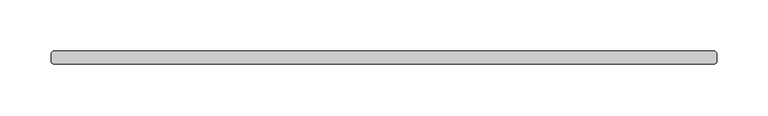
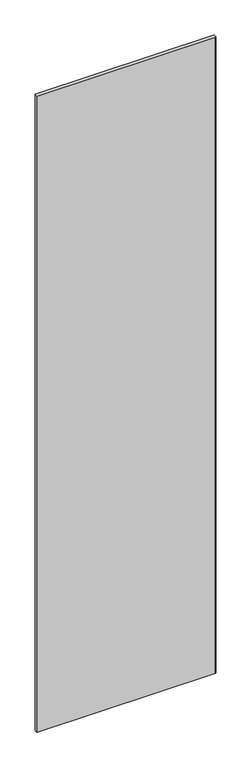
"""IFC4 building model written with IfcOpenShell, lengths in millimetres: plate geometry."""

from ifc_helpers import new_model, si_unit, origin, origin_with_axes, place, context, project, spatial, polyline, outline, extrude, source, transform, mapped, element, save


def plate_df2a45a6(model_context):
    return source(origin(), model_context, "Body", "SweptSolid", [
        extrude(outline(polyline([(321.865625, -6.35), (-321.865625, -6.35), (-323.453125, -4.7625), (-323.453125, 4.7625), (-321.865625, 6.35), (321.865625, 6.35), (323.453125, 4.7625), (323.453125, -4.7625), (321.865625, -6.35)])), origin_with_axes(), (0.0, 0.0, 1.0), 2427.1914267),
    ])


if __name__ == "__main__":
    model = new_model("IFC4")
    model_context = context("Model", 3, world=origin())
    ifc_project = project(units=[si_unit("LENGTHUNIT", "METRE", prefix="MILLI")], contexts=[model_context])
    site = spatial("IfcSite", under=ifc_project)
    building = spatial("IfcBuilding", under=site)
    placement = place(None, origin())
    plate_shape = plate_df2a45a6(model_context)
    element("IfcPlate", 1, at=placement, inside=building, context=model_context, shape_type="MappedRepresentation", body=[
        mapped(plate_shape, transform((0.0, 0.0, 0.0), x_axis=(1.0, 0.0, 0.0), y_axis=(0.0, 1.0, 0.0), z_axis=(0.0, 0.0, 1.0))),
    ])
    save(model, "model.ifc")
